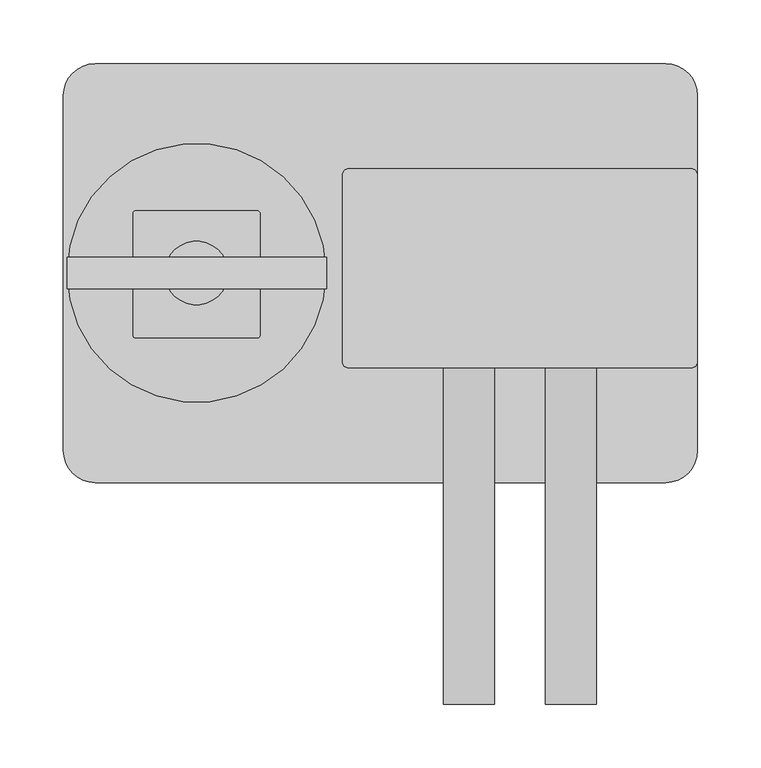
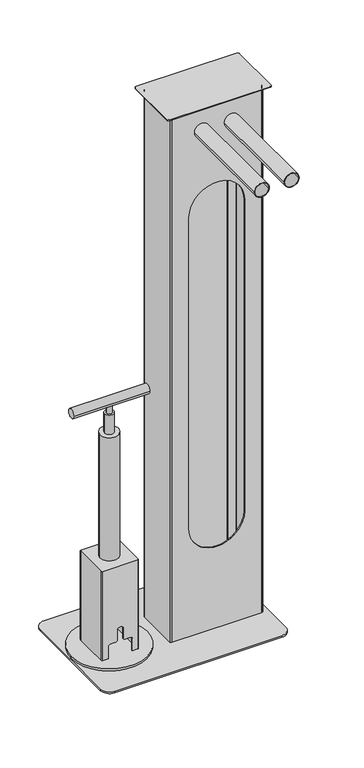
"""IFC4 building model written with IfcOpenShell, lengths in millimetres: proxy geometry."""

from ifc_helpers import new_model, si_unit, point, frame, frame_2d, origin, origin_with_axes, place, context, project, spatial, polyline, circle_curve, trimmed, segment, composite_curve, outline, extrude, source, transform, mapped, element, save
from ifc_brep_helpers import plane_surface, cylinder_surface, revolved_surface, advanced_brep


def parking_5dba987e(model_context):
    return source(origin(), model_context, "Body", "SolidModel", [
        extrude(outline(composite_curve([segment(polyline([(-25.0, 82.0), (245.0, 82.0)]), True, "CONTINUOUS"), segment(trimmed(circle_curve(frame_2d((245.0, 77.0)), 5.0), [point((245.0, 82.0))], [point((250.0, 77.0))], False, "CARTESIAN"), True, "CONTINUOUS"), segment(polyline([(250.0, 77.0), (250.0, -70.0)]), True, "CONTINUOUS"), segment(trimmed(circle_curve(frame_2d((245.0, -70.0)), 5.0), [point((250.0, -70.0))], [point((245.0, -75.0))], False, "CARTESIAN"), True, "CONTINUOUS"), segment(polyline([(245.0, -75.0), (-25.0, -75.0)]), True, "CONTINUOUS"), segment(trimmed(circle_curve(frame_2d((-25.0, -70.0)), 5.0), [point((-25.0, -75.0))], [point((-30.0, -70.0))], False, "CARTESIAN"), True, "CONTINUOUS"), segment(polyline([(-30.0, -70.0), (-30.0, 77.0)]), True, "CONTINUOUS"), segment(trimmed(circle_curve(frame_2d((-25.0, 77.0)), 5.0), [point((-30.0, 77.0))], [point((-25.0, 82.0))], False, "CARTESIAN"), True, "CONTINUOUS")], self_intersect=False)), frame((0.0, 0.0, 1505.0), z_axis=(0.0, 0.0, 1.0), x_axis=(1.0, 0.0, 0.0)), (0.0, 0.0, 1.0), 2.5),
        extrude(outline(composite_curve([segment(trimmed(circle_curve(frame_2d((1435.2903183, 69.7538688)), 20.0), [point((1435.2903183, 49.7538688))], [point((1435.2903183, 89.7538688))], False, "CARTESIAN"), True, "CONTINUOUS"), segment(trimmed(circle_curve(frame_2d((1435.2903183, 69.7538688)), 20.0), [point((1435.2903183, 89.7538688))], [point((1435.2903183, 49.7538688))], False, "CARTESIAN"), True, "CONTINUOUS")], self_intersect=False), holes=[composite_curve([segment(trimmed(circle_curve(frame_2d((1435.2903183, 69.7538688)), 18.0), [point((1435.2903183, 51.7538688))], [point((1435.2903183, 87.7538688))], True, "CARTESIAN"), True, "CONTINUOUS"), segment(trimmed(circle_curve(frame_2d((1435.2903183, 69.7538688)), 18.0), [point((1435.2903183, 87.7538688))], [point((1435.2903183, 51.7538688))], True, "CARTESIAN"), True, "CONTINUOUS")], self_intersect=False)]), frame((0.0, -340.0, 0.0), z_axis=(0.0, 1.0, 0.0), x_axis=(0.0, 0.0, 1.0)), (0.0, 0.0, 1.0), 400.0),
        extrude(outline(composite_curve([segment(trimmed(circle_curve(frame_2d((1435.2903183, 150.2175921)), 20.0), [point((1435.2903183, 170.2175921))], [point((1435.2903183, 130.2175921))], False, "CARTESIAN"), True, "CONTINUOUS"), segment(trimmed(circle_curve(frame_2d((1435.2903183, 150.2175921)), 20.0), [point((1435.2903183, 130.2175921))], [point((1435.2903183, 170.2175921))], False, "CARTESIAN"), True, "CONTINUOUS")], self_intersect=False), holes=[composite_curve([segment(trimmed(circle_curve(frame_2d((1435.2903183, 150.2175921)), 18.0), [point((1435.2903183, 168.2175921))], [point((1435.2903183, 132.2175921))], True, "CARTESIAN"), True, "CONTINUOUS"), segment(trimmed(circle_curve(frame_2d((1435.2903183, 150.2175921)), 18.0), [point((1435.2903183, 132.2175921))], [point((1435.2903183, 168.2175921))], True, "CARTESIAN"), True, "CONTINUOUS")], self_intersect=False)]), frame((0.0, -340.0, 0.0), z_axis=(0.0, 1.0, 0.0), x_axis=(0.0, 0.0, 1.0)), (0.0, 0.0, 1.0), 400.0),
        advanced_brep(
        [(-15.0, 61.5, 1505.0), (-15.0, -56.5285391, 1505.0), (-11.5285391, -60.0, 1505.0), (231.5, -60.0, 1505.0), (235.0, -56.5, 1505.0), (235.0, 61.5, 1505.0), (231.5, 65.0, 1505.0), (210.0, 65.0, 1505.0), (210.0, 62.5, 1505.0), (231.5, 62.5, 1505.0), (232.5, 61.5, 1505.0), (232.5, -56.5, 1505.0), (231.5, -57.5, 1505.0), (-11.5, -57.5, 1505.0), (-12.5, -56.5, 1505.0), (-12.5, 61.5, 1505.0), (-11.5, 62.5, 1505.0), (10.0, 62.5, 1505.0), (10.0, 65.0, 1505.0), (-11.5, 65.0, 1505.0), (-15.0, 61.5, 5.0), (-11.5, 65.0, 5.0), (10.0, 65.0, 5.0), (10.0, 62.5, 5.0), (-11.5, 62.5, 5.0), (-12.5, 61.5, 5.0), (-12.5, -56.5, 5.0), (-11.5, -57.5, 5.0), (231.5, -57.5, 5.0), (232.5, -56.5, 5.0), (232.5, 61.5, 5.0), (231.5, 62.5, 5.0), (210.0, 62.5, 5.0), (210.0, 65.0, 5.0), (231.5, 65.0, 5.0), (235.0, 61.5, 5.0), (235.0, -56.5, 5.0), (231.5, -60.0, 5.0), (-11.5285391, -60.0, 5.0), (-15.0, -56.5285391, 5.0), (35.0, -60.0, 311.0), (35.0, -60.0, 1199.0), (185.0, -60.0, 1199.0), (185.0, -60.0, 311.0), (35.0, -57.5, 1199.0), (35.0, -57.5, 311.0), (185.0, -57.5, 311.0), (185.0, -57.5, 1199.0)],
        [
            (0, 1),
            (1, 2, circle_curve(frame((-11.5285391, -56.5285391, 1505.0), z_axis=(0.0, 0.0, 1.0), x_axis=(1.0, 0.0, 0.0)), 3.4714609)),
            (2, 3),
            (3, 4, circle_curve(frame((231.5, -56.5, 1505.0), z_axis=(0.0, 0.0, 1.0), x_axis=(1.0, 0.0, 0.0)), 3.5)),
            (4, 5),
            (5, 6, circle_curve(frame((231.5, 61.5, 1505.0), z_axis=(0.0, 0.0, 1.0), x_axis=(1.0, 0.0, 0.0)), 3.5)),
            (6, 7),
            (7, 8),
            (8, 9),
            (9, 10, circle_curve(frame((231.5, 61.5, 1505.0), z_axis=(0.0, 0.0, -1.0), x_axis=(1.0, 0.0, 0.0)), 1.0)),
            (10, 11),
            (11, 12, circle_curve(frame((231.5, -56.5, 1505.0), z_axis=(0.0, 0.0, -1.0), x_axis=(1.0, 0.0, 0.0)), 1.0)),
            (12, 13),
            (13, 14, circle_curve(frame((-11.5, -56.5, 1505.0), z_axis=(0.0, 0.0, -1.0), x_axis=(1.0, 0.0, 0.0)), 1.0)),
            (14, 15),
            (15, 16, circle_curve(frame((-11.5, 61.5, 1505.0), z_axis=(0.0, 0.0, -1.0), x_axis=(1.0, 0.0, 0.0)), 1.0)),
            (16, 17),
            (17, 18),
            (18, 19),
            (19, 0, circle_curve(frame((-11.5, 61.5, 1505.0), z_axis=(0.0, 0.0, 1.0), x_axis=(1.0, 0.0, 0.0)), 3.5)),
            (20, 21, circle_curve(frame((-11.5, 61.5, 5.0), z_axis=(0.0, 0.0, -1.0), x_axis=(1.0, 0.0, 0.0)), 3.5)),
            (21, 22),
            (22, 23),
            (23, 24),
            (24, 25, circle_curve(frame((-11.5, 61.5, 5.0), z_axis=(0.0, 0.0, 1.0), x_axis=(1.0, 0.0, 0.0)), 1.0)),
            (25, 26),
            (26, 27, circle_curve(frame((-11.5, -56.5, 5.0), z_axis=(0.0, 0.0, 1.0), x_axis=(1.0, 0.0, 0.0)), 1.0)),
            (27, 28),
            (28, 29, circle_curve(frame((231.5, -56.5, 5.0), z_axis=(0.0, 0.0, 1.0), x_axis=(1.0, 0.0, 0.0)), 1.0)),
            (29, 30),
            (30, 31, circle_curve(frame((231.5, 61.5, 5.0), z_axis=(0.0, 0.0, 1.0), x_axis=(1.0, 0.0, 0.0)), 1.0)),
            (31, 32),
            (32, 33),
            (33, 34),
            (34, 35, circle_curve(frame((231.5, 61.5, 5.0), z_axis=(0.0, 0.0, -1.0), x_axis=(1.0, 0.0, 0.0)), 3.5)),
            (35, 36),
            (36, 37, circle_curve(frame((231.5, -56.5, 5.0), z_axis=(0.0, 0.0, -1.0), x_axis=(1.0, 0.0, 0.0)), 3.5)),
            (37, 38),
            (38, 39, circle_curve(frame((-11.5285391, -56.5285391, 5.0), z_axis=(0.0, 0.0, -1.0), x_axis=(1.0, 0.0, 0.0)), 3.4714609)),
            (39, 20),
            (0, 20),
            (39, 1),
            (38, 2),
            (37, 3),
            (40, 41),
            (41, 42, circle_curve(frame((110.0, -60.0, 1199.0), z_axis=(0.0, 1.0, 0.0), x_axis=(1.0, 0.0, 0.0)), 75.0)),
            (42, 43),
            (43, 40, circle_curve(frame((110.0, -60.0, 311.0), z_axis=(0.0, 1.0, 0.0), x_axis=(-1.0, 0.0, 0.0)), 75.0)),
            (36, 4),
            (35, 5),
            (34, 6),
            (33, 7),
            (32, 8),
            (31, 9),
            (30, 10),
            (29, 11),
            (28, 12),
            (27, 13),
            (44, 45),
            (45, 46, circle_curve(frame((110.0, -57.5, 311.0), z_axis=(0.0, -1.0, 0.0), x_axis=(-1.0, 0.0, 0.0)), 75.0)),
            (46, 47),
            (47, 44, circle_curve(frame((110.0, -57.5, 1199.0), z_axis=(0.0, -1.0, 0.0), x_axis=(1.0, 0.0, 0.0)), 75.0)),
            (26, 14),
            (25, 15),
            (24, 16),
            (23, 17),
            (22, 18),
            (21, 19),
            (44, 41),
            (40, 45),
            (43, 46),
            (42, 47),
        ],
        [
            plane_surface(frame((-15.0, -56.5, 1505.0), z_axis=(0.0, 0.0, 1.0), x_axis=(0.0, -1.0, 0.0))),
            plane_surface(frame((-15.0, -56.5, 5.0), z_axis=(0.0, 0.0, -1.0), x_axis=(0.0, 1.0, 0.0))),
            plane_surface(frame((-15.0, 61.5, 1505.0), z_axis=(-1.0, 0.0, 0.0), x_axis=(0.0, 0.0, -1.0))),
            cylinder_surface(frame((-11.5285391, -56.5285391, 5.0), z_axis=(0.0, 0.0, 1.0), x_axis=(1.0, 0.0, 0.0)), 3.4714609),
            plane_surface(frame((-11.5285391, -60.0, 1505.0), z_axis=(0.0, -1.0, 0.0), x_axis=(0.0, 0.0, -1.0))),
            cylinder_surface(frame((231.5, -56.5, 5.0), z_axis=(0.0, 0.0, 1.0), x_axis=(1.0, 0.0, 0.0)), 3.5),
            plane_surface(frame((235.0, -56.5, 1505.0), z_axis=(1.0, 0.0, 0.0), x_axis=(0.0, 0.0, -1.0))),
            cylinder_surface(frame((231.5, 61.5, 5.0), z_axis=(0.0, 0.0, 1.0), x_axis=(1.0, 0.0, 0.0)), 3.5),
            plane_surface(frame((231.5, 65.0, 1505.0), z_axis=(0.0, 1.0, 0.0), x_axis=(0.0, 0.0, -1.0))),
            plane_surface(frame((210.0, 65.0, 1505.0), z_axis=(-1.0, 0.0, 0.0), x_axis=(0.0, 0.0, -1.0))),
            plane_surface(frame((210.0, 62.5, 1505.0), z_axis=(0.0, -1.0, 0.0), x_axis=(0.0, 0.0, -1.0))),
            revolved_surface(polyline([(232.5, 61.5, 5.0), (232.5, 61.5, 1505.0)]), (231.5, 61.5, 5.0), (0.0, 0.0, -1.0)),
            plane_surface(frame((232.5, 61.5, 1505.0), z_axis=(-1.0, 0.0, 0.0), x_axis=(0.0, 0.0, -1.0))),
            revolved_surface(polyline([(232.5, -56.5, 5.0), (232.5, -56.5, 1505.0)]), (231.5, -56.5, 5.0), (0.0, 0.0, -1.0)),
            plane_surface(frame((231.5, -57.5, 1505.0), z_axis=(0.0, 1.0, 0.0), x_axis=(0.0, 0.0, -1.0))),
            revolved_surface(polyline([(-10.5, -56.5, 5.0), (-10.5, -56.5, 1505.0)]), (-11.5, -56.5, 5.0), (0.0, 0.0, -1.0)),
            plane_surface(frame((-12.5, -56.5, 1505.0), z_axis=(1.0, 0.0, 0.0), x_axis=(0.0, 0.0, -1.0))),
            revolved_surface(polyline([(-10.5, 61.5, 5.0), (-10.5, 61.5, 1505.0)]), (-11.5, 61.5, 5.0), (0.0, 0.0, -1.0)),
            plane_surface(frame((-11.5, 62.5, 1505.0), z_axis=(0.0, -1.0, 0.0), x_axis=(0.0, 0.0, -1.0))),
            plane_surface(frame((10.0, 62.5, 1505.0), z_axis=(1.0, 0.0, 0.0), x_axis=(0.0, 0.0, -1.0))),
            plane_surface(frame((10.0, 65.0, 1505.0), z_axis=(0.0, 1.0, 0.0), x_axis=(0.0, 0.0, -1.0))),
            cylinder_surface(frame((-11.5, 61.5, 5.0), z_axis=(0.0, 0.0, 1.0), x_axis=(1.0, 0.0, 0.0)), 3.5),
            plane_surface(frame((35.0, -184.3006346, 1199.0), z_axis=(1.0, 0.0, 0.0), x_axis=(0.0, 1.0, 0.0))),
            revolved_surface(polyline([(35.0, -60.0, 311.0), (35.0, -57.5, 311.0)]), (110.0, 0.0, 311.0), (0.0, -1.0, 0.0)),
            plane_surface(frame((185.0, -184.3006346, 311.0), z_axis=(-1.0, 0.0, 0.0), x_axis=(0.0, 1.0, 0.0))),
            revolved_surface(polyline([(185.0, -60.0, 1199.0), (185.0, -57.5, 1199.0)]), (110.0, 0.0, 1199.0), (0.0, -1.0, 0.0)),
        ],
        [
            (0, [[1, 2, 3, 4, 5, 6, 7, 8, 9, 10, 11, 12, 13, 14, 15, 16, 17, 18, 19, 20]]),
            (1, [[21, 22, 23, 24, 25, 26, 27, 28, 29, 30, 31, 32, 33, 34, 35, 36, 37, 38, 39, 40]]),
            (2, [[-1, 41, -40, 42]]),
            (3, [[-2, -42, -39, 43]]),
            (4, [[-3, -43, -38, 44], [45, 46, 47, 48]]),
            (5, [[-4, -44, -37, 49]]),
            (6, [[-5, -49, -36, 50]]),
            (7, [[-6, -50, -35, 51]]),
            (8, [[-7, -51, -34, 52]]),
            (9, [[-8, -52, -33, 53]]),
            (10, [[-9, -53, -32, 54]]),
            (11, [[-10, -54, -31, 55]]),
            (12, [[-11, -55, -30, 56]]),
            (13, [[-12, -56, -29, 57]]),
            (14, [[-13, -57, -28, 58], [59, 60, 61, 62]]),
            (15, [[-14, -58, -27, 63]]),
            (16, [[-15, -63, -26, 64]]),
            (17, [[-16, -64, -25, 65]]),
            (18, [[-17, -65, -24, 66]]),
            (19, [[-18, -66, -23, 67]]),
            (20, [[-19, -67, -22, 68]]),
            (21, [[-20, -68, -21, -41]]),
            (22, [[69, -45, 70, -59]]),
            (23, [[-70, -48, 71, -60]]),
            (24, [[-71, -47, 72, -61]]),
            (25, [[-69, -62, -72, -46]]),
        ],
    ),
        extrude(outline(polyline([(-12.0, 67.5), (232.0, 67.5), (232.0, 65.0), (-12.0, 65.0), (-12.0, 67.5)])), frame((0.0, 0.0, 11.0), z_axis=(0.0, 0.0, 1.0), x_axis=(1.0, 0.0, 0.0)), (0.0, 0.0, 1.0), 1494.0),
        extrude(outline(composite_curve([segment(trimmed(circle_curve(frame_2d((0.0, 702.843055)), 12.5), [point((12.5, 702.843055))], [point((-12.5, 702.843055))], False, "CARTESIAN"), True, "CONTINUOUS"), segment(trimmed(circle_curve(frame_2d((0.0, 702.843055)), 12.5), [point((-12.5, 702.843055))], [point((12.5, 702.843055))], False, "CARTESIAN"), True, "CONTINUOUS")], self_intersect=False)), frame((-247.1288015, 0.0, 0.0), z_axis=(1.0, 0.0, 0.0), x_axis=(0.0, 1.0, 0.0)), (0.0, 0.0, 1.0), 204.4649126),
        extrude(outline(composite_curve([segment(trimmed(circle_curve(frame_2d((-145.032, 0.0)), 7.5), [point((-152.532, 0.0))], [point((-137.532, 0.0))], False, "CARTESIAN"), True, "CONTINUOUS"), segment(trimmed(circle_curve(frame_2d((-145.032, 0.0)), 7.5), [point((-137.532, 0.0))], [point((-152.532, 0.0))], False, "CARTESIAN"), True, "CONTINUOUS")], self_intersect=False)), frame((0.0, 0.0, 671.4631946), z_axis=(0.0, 0.0, 1.0), x_axis=(1.0, 0.0, 0.0)), (0.0, 0.0, 1.0), 23.4114008),
        extrude(outline(composite_curve([segment(trimmed(circle_curve(frame_2d((-145.032, 0.0)), 12.3538107), [point((-157.3858107, 0.0))], [point((-132.6781893, 0.0))], False, "CARTESIAN"), True, "CONTINUOUS"), segment(trimmed(circle_curve(frame_2d((-145.032, 0.0)), 12.3538107), [point((-132.6781893, 0.0))], [point((-157.3858107, 0.0))], False, "CARTESIAN"), True, "CONTINUOUS")], self_intersect=False)), frame((0.0, 0.0, 616.0), z_axis=(0.0, 0.0, 1.0), x_axis=(1.0, 0.0, 0.0)), (0.0, 0.0, 1.0), 55.4631946),
        extrude(outline(composite_curve([segment(trimmed(circle_curve(frame_2d((-145.032, 0.0)), 25.0), [point((-170.032, 0.0))], [point((-120.032, 0.0))], False, "CARTESIAN"), True, "CONTINUOUS"), segment(trimmed(circle_curve(frame_2d((-145.032, 0.0)), 25.0), [point((-120.032, 0.0))], [point((-170.032, 0.0))], False, "CARTESIAN"), True, "CONTINUOUS")], self_intersect=False)), frame((0.0, 0.0, 265.0), z_axis=(0.0, 0.0, 1.0), x_axis=(1.0, 0.0, 0.0)), (0.0, 0.0, 1.0), 351.0),
        advanced_brep(
        [(-195.032, -49.0, 265.0), (-193.032, -51.0, 265.0), (-97.032, -51.0, 265.0), (-95.032, -49.0, 265.0), (-95.032, 47.0, 265.0), (-97.032, 49.0, 265.0), (-193.032, 49.0, 265.0), (-195.032, 47.0, 265.0), (-195.032, -49.0, 11.0), (-195.032, 47.0, 11.0), (-193.032, 49.0, 11.0), (-97.032, 49.0, 11.0), (-95.032, 47.0, 11.0), (-95.032, -49.0, 11.0), (-97.032, -51.0, 11.0), (-112.532, -51.0, 11.0), (-112.532, -48.5, 11.0), (-97.532, -48.5, 11.0), (-97.532, 46.5, 11.0), (-192.532, 46.5, 11.0), (-192.532, -48.5, 11.0), (-177.532, -48.5, 11.0), (-177.532, -51.0, 11.0), (-193.032, -51.0, 11.0), (-177.532, -51.0, 46.0), (-172.532, -51.0, 51.0), (-158.032, -51.0, 51.0), (-153.032, -51.0, 56.0), (-153.032, -51.0, 86.0), (-148.032, -51.0, 91.0), (-142.032, -51.0, 91.0), (-137.032, -51.0, 86.0), (-137.032, -51.0, 56.0), (-132.032, -51.0, 51.0), (-117.532, -51.0, 51.0), (-112.532, -51.0, 46.0), (-192.532, -48.5, 261.0), (-192.532, 46.5, 261.0), (-97.532, 46.5, 261.0), (-97.532, -48.5, 261.0), (-112.532, -48.5, 46.0), (-117.532, -48.5, 51.0), (-132.032, -48.5, 51.0), (-137.032, -48.5, 56.0), (-137.032, -48.5, 86.0), (-142.032, -48.5, 91.0), (-148.032, -48.5, 91.0), (-153.032, -48.5, 86.0), (-153.032, -48.5, 56.0), (-158.032, -48.5, 51.0), (-172.532, -48.5, 51.0), (-177.532, -48.5, 46.0)],
        [
            (0, 1, circle_curve(frame((-193.032, -49.0, 265.0), z_axis=(0.0, 0.0, 1.0), x_axis=(1.0, 0.0, 0.0)), 2.0)),
            (1, 2),
            (2, 3, circle_curve(frame((-97.032, -49.0, 265.0), z_axis=(0.0, 0.0, 1.0), x_axis=(1.0, 0.0, 0.0)), 2.0)),
            (3, 4),
            (4, 5, circle_curve(frame((-97.032, 47.0, 265.0), z_axis=(0.0, 0.0, 1.0), x_axis=(1.0, 0.0, 0.0)), 2.0)),
            (5, 6),
            (6, 7, circle_curve(frame((-193.032, 47.0, 265.0), z_axis=(0.0, 0.0, 1.0), x_axis=(1.0, 0.0, 0.0)), 2.0)),
            (7, 0),
            (8, 9),
            (9, 10, circle_curve(frame((-193.032, 47.0, 11.0), z_axis=(0.0, 0.0, -1.0), x_axis=(1.0, 0.0, 0.0)), 2.0)),
            (10, 11),
            (11, 12, circle_curve(frame((-97.032, 47.0, 11.0), z_axis=(0.0, 0.0, -1.0), x_axis=(1.0, 0.0, 0.0)), 2.0)),
            (12, 13),
            (13, 14, circle_curve(frame((-97.032, -49.0, 11.0), z_axis=(0.0, 0.0, -1.0), x_axis=(1.0, 0.0, 0.0)), 2.0)),
            (14, 15),
            (15, 16),
            (16, 17),
            (17, 18),
            (18, 19),
            (19, 20),
            (20, 21),
            (21, 22),
            (22, 23),
            (23, 8, circle_curve(frame((-193.032, -49.0, 11.0), z_axis=(0.0, 0.0, -1.0), x_axis=(1.0, 0.0, 0.0)), 2.0)),
            (0, 8),
            (23, 1),
            (22, 24),
            (24, 25, circle_curve(frame((-172.532, -51.0, 46.0), z_axis=(0.0, 1.0, 0.0), x_axis=(1.0, 0.0, 0.0)), 5.0)),
            (25, 26),
            (26, 27, circle_curve(frame((-158.032, -51.0, 56.0), z_axis=(0.0, -1.0, 0.0), x_axis=(1.0, 0.0, 0.0)), 5.0)),
            (27, 28),
            (28, 29, circle_curve(frame((-148.032, -51.0, 86.0), z_axis=(0.0, 1.0, 0.0), x_axis=(1.0, 0.0, 0.0)), 5.0)),
            (29, 30),
            (30, 31, circle_curve(frame((-142.032, -51.0, 86.0), z_axis=(0.0, 1.0, 0.0), x_axis=(1.0, 0.0, 0.0)), 5.0)),
            (31, 32),
            (32, 33, circle_curve(frame((-132.032, -51.0, 56.0), z_axis=(0.0, -1.0, 0.0), x_axis=(1.0, 0.0, 0.0)), 5.0)),
            (33, 34),
            (34, 35, circle_curve(frame((-117.532, -51.0, 46.0), z_axis=(0.0, 1.0, 0.0), x_axis=(1.0, 0.0, 0.0)), 5.0)),
            (35, 15),
            (14, 2),
            (13, 3),
            (12, 4),
            (11, 5),
            (10, 6),
            (9, 7),
            (36, 37),
            (37, 38),
            (38, 39),
            (39, 36),
            (39, 17),
            (16, 40),
            (40, 41, circle_curve(frame((-117.532, -48.5, 46.0), z_axis=(0.0, -1.0, 0.0), x_axis=(1.0, 0.0, 0.0)), 5.0)),
            (41, 42),
            (42, 43, circle_curve(frame((-132.032, -48.5, 56.0), z_axis=(0.0, 1.0, 0.0), x_axis=(1.0, 0.0, 0.0)), 5.0)),
            (43, 44),
            (44, 45, circle_curve(frame((-142.032, -48.5, 86.0), z_axis=(0.0, -1.0, 0.0), x_axis=(1.0, 0.0, 0.0)), 5.0)),
            (45, 46),
            (46, 47, circle_curve(frame((-148.032, -48.5, 86.0), z_axis=(0.0, -1.0, 0.0), x_axis=(1.0, 0.0, 0.0)), 5.0)),
            (47, 48),
            (48, 49, circle_curve(frame((-158.032, -48.5, 56.0), z_axis=(0.0, 1.0, 0.0), x_axis=(1.0, 0.0, 0.0)), 5.0)),
            (49, 50),
            (50, 51, circle_curve(frame((-172.532, -48.5, 46.0), z_axis=(0.0, -1.0, 0.0), x_axis=(1.0, 0.0, 0.0)), 5.0)),
            (51, 21),
            (20, 36),
            (38, 18),
            (37, 19),
            (51, 24),
            (35, 40),
            (34, 41),
            (33, 42),
            (32, 43),
            (31, 44),
            (30, 45),
            (29, 46),
            (28, 47),
            (27, 48),
            (26, 49),
            (25, 50),
        ],
        [
            plane_surface(frame((-191.032, -49.0, 265.0), z_axis=(0.0, 0.0, 1.0), x_axis=(0.0, 1.0, 0.0))),
            plane_surface(frame((-191.032, -49.0, 11.0), z_axis=(0.0, 0.0, -1.0), x_axis=(0.0, -1.0, 0.0))),
            cylinder_surface(frame((-193.032, -49.0, 11.0), z_axis=(0.0, 0.0, 1.0), x_axis=(1.0, 0.0, 0.0)), 2.0),
            plane_surface(frame((-193.032, -51.0, 265.0), z_axis=(0.0, -1.0, 0.0), x_axis=(0.0, 0.0, -1.0))),
            cylinder_surface(frame((-97.032, -49.0, 11.0), z_axis=(0.0, 0.0, 1.0), x_axis=(1.0, 0.0, 0.0)), 2.0),
            plane_surface(frame((-95.032, -49.0, 265.0), z_axis=(1.0, 0.0, 0.0), x_axis=(0.0, 0.0, -1.0))),
            cylinder_surface(frame((-97.032, 47.0, 11.0), z_axis=(0.0, 0.0, 1.0), x_axis=(1.0, 0.0, 0.0)), 2.0),
            plane_surface(frame((-97.032, 49.0, 265.0), z_axis=(0.0, 1.0, 0.0), x_axis=(0.0, 0.0, -1.0))),
            cylinder_surface(frame((-193.032, 47.0, 11.0), z_axis=(0.0, 0.0, 1.0), x_axis=(1.0, 0.0, 0.0)), 2.0),
            plane_surface(frame((-195.032, 47.0, 265.0), z_axis=(-1.0, 0.0, 0.0), x_axis=(0.0, 0.0, -1.0))),
            plane_surface(frame((-192.532, -48.5, 261.0), z_axis=(0.0, 0.0, -1.0), x_axis=(1.0, 0.0, 0.0))),
            plane_surface(frame((-192.532, -48.5, 261.0), z_axis=(0.0, 1.0, 0.0), x_axis=(0.0, 0.0, -1.0))),
            plane_surface(frame((-97.532, -48.5, 261.0), z_axis=(-1.0, 0.0, 0.0), x_axis=(0.0, 0.0, -1.0))),
            plane_surface(frame((-97.532, 46.5, 261.0), z_axis=(0.0, -1.0, 0.0), x_axis=(0.0, 0.0, -1.0))),
            plane_surface(frame((-192.532, 46.5, 261.0), z_axis=(1.0, 0.0, 0.0), x_axis=(0.0, 0.0, -1.0))),
            plane_surface(frame((-177.532, -65.868784, 46.0), z_axis=(1.0, 0.0, 0.0), x_axis=(0.0, 1.0, 0.0))),
            plane_surface(frame((-112.532, -65.868784, 11.0), z_axis=(-1.0, 0.0, 0.0), x_axis=(0.0, 1.0, 0.0))),
            revolved_surface(polyline([(-112.532, -51.0, 46.0), (-112.532, -48.5, 46.0)]), (-117.532, 0.0, 46.0), (0.0, -1.0, 0.0)),
            plane_surface(frame((-117.532, -65.868784, 51.0), z_axis=(0.0, 0.0, -1.0), x_axis=(0.0, 1.0, 0.0))),
            cylinder_surface(frame((-132.032, 0.0, 56.0), z_axis=(0.0, 1.0, 0.0), x_axis=(1.0, 0.0, 0.0)), 5.0),
            plane_surface(frame((-137.032, -65.868784, 56.0), z_axis=(-1.0, 0.0, 0.0), x_axis=(0.0, 1.0, 0.0))),
            revolved_surface(polyline([(-137.032, -51.0, 86.0), (-137.032, -48.5, 86.0)]), (-142.032, 0.0, 86.0), (0.0, -1.0, 0.0)),
            plane_surface(frame((-142.032, -65.868784, 91.0), z_axis=(0.0, 0.0, -1.0), x_axis=(0.0, 1.0, 0.0))),
            revolved_surface(polyline([(-143.032, -51.0, 86.0), (-143.032, -48.5, 86.0)]), (-148.032, 0.0, 86.0), (0.0, -1.0, 0.0)),
            plane_surface(frame((-153.032, -65.868784, 86.0), z_axis=(1.0, 0.0, 0.0), x_axis=(0.0, 1.0, 0.0))),
            cylinder_surface(frame((-158.032, 0.0, 56.0), z_axis=(0.0, 1.0, 0.0), x_axis=(1.0, 0.0, 0.0)), 5.0),
            plane_surface(frame((-158.032, -65.868784, 51.0), z_axis=(0.0, 0.0, -1.0), x_axis=(0.0, 1.0, 0.0))),
            revolved_surface(polyline([(-167.532, -51.0, 46.0), (-167.532, -48.5, 46.0)]), (-172.532, 0.0, 46.0), (0.0, -1.0, 0.0)),
        ],
        [
            (0, [[1, 2, 3, 4, 5, 6, 7, 8]]),
            (1, [[9, 10, 11, 12, 13, 14, 15, 16, 17, 18, 19, 20, 21, 22, 23, 24]]),
            (2, [[-1, 25, -24, 26]]),
            (3, [[-2, -26, -23, 27, 28, 29, 30, 31, 32, 33, 34, 35, 36, 37, 38, 39, -15, 40]]),
            (4, [[-3, -40, -14, 41]]),
            (5, [[-4, -41, -13, 42]]),
            (6, [[-5, -42, -12, 43]]),
            (7, [[-6, -43, -11, 44]]),
            (8, [[-7, -44, -10, 45]]),
            (9, [[-8, -45, -9, -25]]),
            (10, [[46, 47, 48, 49]]),
            (11, [[-49, 50, -17, 51, 52, 53, 54, 55, 56, 57, 58, 59, 60, 61, 62, 63, -21, 64]]),
            (12, [[-48, 65, -18, -50]]),
            (13, [[-47, 66, -19, -65]]),
            (14, [[-46, -64, -20, -66]]),
            (15, [[67, -27, -22, -63]]),
            (16, [[68, -51, -16, -39]]),
            (17, [[-68, -38, 69, -52]]),
            (18, [[-69, -37, 70, -53]]),
            (19, [[-70, -36, 71, -54]]),
            (20, [[-71, -35, 72, -55]]),
            (21, [[-72, -34, 73, -56]]),
            (22, [[-73, -33, 74, -57]]),
            (23, [[-74, -32, 75, -58]]),
            (24, [[-75, -31, 76, -59]]),
            (25, [[-76, -30, 77, -60]]),
            (26, [[-77, -29, 78, -61]]),
            (27, [[-67, -62, -78, -28]]),
        ],
    ),
        extrude(outline(composite_curve([segment(trimmed(circle_curve(frame_2d((-145.032, 0.25)), 102.0), [point((-247.032, 0.25))], [point((-43.032, 0.25))], False, "CARTESIAN"), True, "CONTINUOUS"), segment(trimmed(circle_curve(frame_2d((-145.032, 0.25)), 102.0), [point((-43.032, 0.25))], [point((-247.032, 0.25))], False, "CARTESIAN"), True, "CONTINUOUS")], self_intersect=False)), frame((0.0, 0.0, 5.0), z_axis=(0.0, 0.0, 1.0), x_axis=(1.0, 0.0, 0.0)), (0.0, 0.0, 1.0), 6.0),
        extrude(outline(composite_curve([segment(polyline([(-225.0, 165.0), (225.0, 165.0)]), True, "CONTINUOUS"), segment(trimmed(circle_curve(frame_2d((225.0, 140.0)), 25.0), [point((225.0, 165.0))], [point((250.0, 140.0))], False, "CARTESIAN"), True, "CONTINUOUS"), segment(polyline([(250.0, 140.0), (250.0, -140.0)]), True, "CONTINUOUS"), segment(trimmed(circle_curve(frame_2d((225.0, -140.0)), 25.0), [point((250.0, -140.0))], [point((225.0, -165.0))], False, "CARTESIAN"), True, "CONTINUOUS"), segment(polyline([(225.0, -165.0), (-225.0, -165.0)]), True, "CONTINUOUS"), segment(trimmed(circle_curve(frame_2d((-225.0, -140.0)), 25.0), [point((-225.0, -165.0))], [point((-250.0, -140.0))], False, "CARTESIAN"), True, "CONTINUOUS"), segment(polyline([(-250.0, -140.0), (-250.0, 140.0)]), True, "CONTINUOUS"), segment(trimmed(circle_curve(frame_2d((-225.0, 140.0)), 25.0), [point((-250.0, 140.0))], [point((-225.0, 165.0))], False, "CARTESIAN"), True, "CONTINUOUS")], self_intersect=False)), origin_with_axes(), (0.0, 0.0, 1.0), 5.0),
    ])


if __name__ == "__main__":
    model = new_model("IFC4")
    model_context = context("Model", 3, world=origin())
    ifc_project = project(units=[si_unit("LENGTHUNIT", "METRE", prefix="MILLI")], contexts=[model_context])
    site = spatial("IfcSite", under=ifc_project)
    building = spatial("IfcBuilding", under=site)
    placement = place(None, origin())
    parking_shape = parking_5dba987e(model_context)
    element("IfcBuildingElementProxy", 1, Name="Parking", at=placement, inside=building, context=model_context, shape_type="MappedRepresentation", body=[
        mapped(parking_shape, transform((0.0, 0.0, 0.0), x_axis=(1.0, 0.0, 0.0), y_axis=(0.0, 1.0, 0.0), z_axis=(0.0, 0.0, 1.0))),
    ])
    save(model, "model.ifc")
